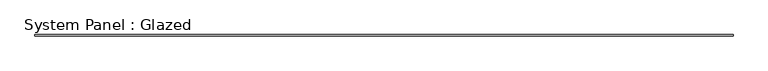
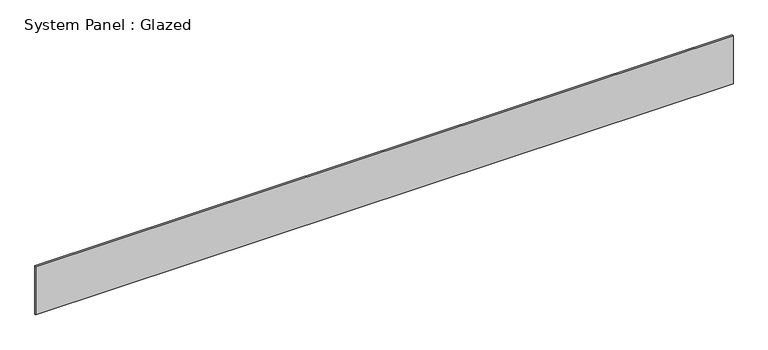
"""IFC4 building model written with IfcOpenShell, lengths in millimetres: plate geometry, System Panel : Glazed."""

from ifc_helpers import new_model, si_unit, origin, origin_with_axes, place, context, project, spatial, polyline, outline, extrude, source, transform, mapped, element, save


def system_panel_glazed_774389e8(model_context):
    return source(origin(), model_context, "Body", "SweptSolid", [
        extrude(outline(polyline([(6152.8214727, 24.5), (-6152.8214727, 24.5), (-6152.8214727, 49.5), (6152.8214727, 49.5), (6152.8214727, 24.5)])), origin_with_axes(), (0.0, 0.0, 1.0), 900.0),
    ])


if __name__ == "__main__":
    model = new_model("IFC4")
    model_context = context("Model", 3, world=origin())
    ifc_project = project(units=[si_unit("LENGTHUNIT", "METRE", prefix="MILLI")], contexts=[model_context])
    site = spatial("IfcSite", under=ifc_project)
    building = spatial("IfcBuilding", under=site)
    placement = place(None, origin())
    system_panel_glazed_shape = system_panel_glazed_774389e8(model_context)
    element("IfcPlate", 1, ObjectType="System Panel : Glazed", at=placement, inside=building, context=model_context, shape_type="MappedRepresentation", body=[
        mapped(system_panel_glazed_shape, transform((0.0, 0.0, 0.0), x_axis=(1.0, 0.0, 0.0), y_axis=(0.0, 1.0, 0.0), z_axis=(0.0, 0.0, 1.0))),
    ])
    save(model, "model.ifc")
